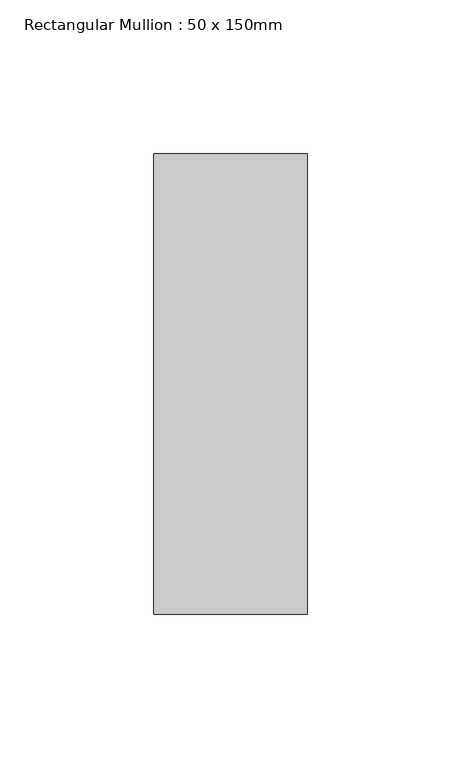
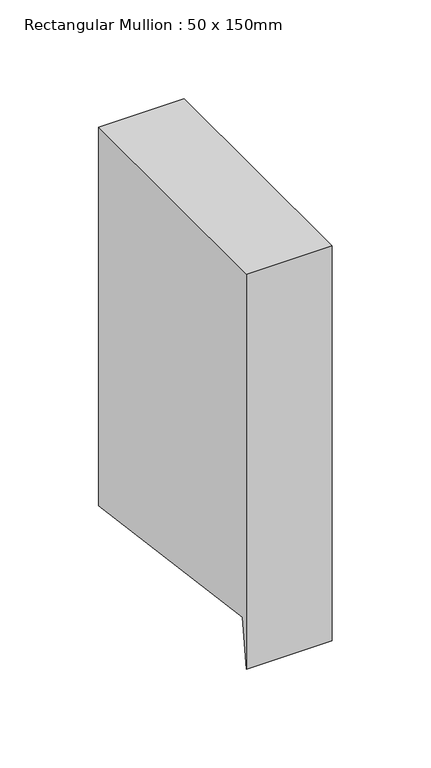
"""IFC4 building model written with IfcOpenShell, lengths in millimetres: member geometry, Rectangular Mullion : 50 x 150mm."""

from ifc_helpers import new_model, si_unit, frame, origin, place, context, project, spatial, polyline, outline, extrude, source, transform, mapped, element, save


def rectangular_mullion_50_x_150mm_a28e6d6b(model_context):
    return source(origin(), model_context, "Body", "SweptSolid", [
        extrude(outline(polyline([(-75.0, 0.0), (75.0, 0.0), (75.0, -233.9438204), (-71.0328341, -214.4506495), (-75.0, -244.1706206), (-75.0, 0.0)])), frame((-50.0, 0.0, 0.0), z_axis=(1.0, 0.0, 0.0), x_axis=(0.0, 1.0, 0.0)), (0.0, 0.0, 1.0), 50.0),
    ])


if __name__ == "__main__":
    model = new_model("IFC4")
    model_context = context("Model", 3, world=origin())
    ifc_project = project(units=[si_unit("LENGTHUNIT", "METRE", prefix="MILLI")], contexts=[model_context])
    site = spatial("IfcSite", under=ifc_project)
    building = spatial("IfcBuilding", under=site)
    placement = place(None, origin())
    rectangular_mullion_50_x_150mm_shape = rectangular_mullion_50_x_150mm_a28e6d6b(model_context)
    element("IfcMember", 1, ObjectType="Rectangular Mullion : 50 x 150mm", at=placement, inside=building, context=model_context, shape_type="MappedRepresentation", body=[
        mapped(rectangular_mullion_50_x_150mm_shape, transform((0.0, 0.0, 0.0), x_axis=(1.0, 0.0, 0.0), y_axis=(0.0, 1.0, 0.0), z_axis=(0.0, 0.0, 1.0))),
    ])
    save(model, "model.ifc")
